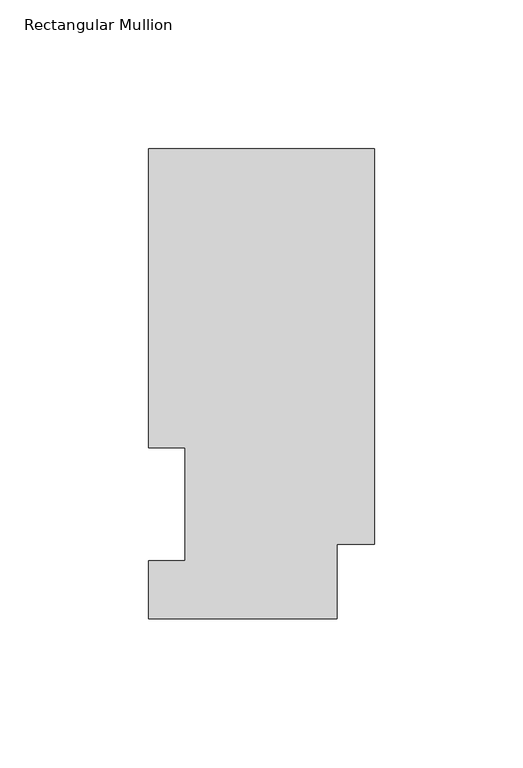
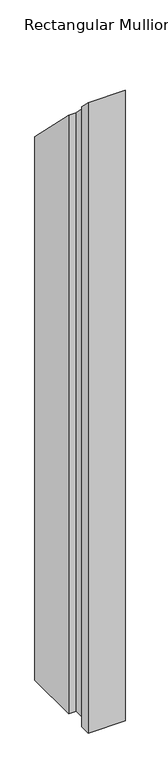
"""IFC4 building model written with IfcOpenShell, lengths in millimetres: member geometry, Rectangular Mullion."""

import ifcopenshell
import ifcopenshell.guid

model = None  # the IFC model being written
_history = None  # IfcOwnerHistory: only IFC2X3 demands one
_inside = {}  # id of a spatial element -> (the spatial element, [elements in it])
_under = {}  # id of a project, library or spatial element -> (it, [spatial elements below it])
_declared = {}  # id of a project -> (the project, [libraries it declares])
_typed = {}  # id of a type object -> (the type object, [elements of that type])
_made_of = {}  # id of a material, layer set ... -> (it, [elements and type objects made of it])


def new_model(schema):
    """Start an empty IFC model of exactly this schema.

    Asked for "IFC4X3", IfcOpenShell would pick the latest addendum, in which some entities
    have other attributes; the version numbers below select the first issue.
    IFC2X3 requires an IfcOwnerHistory on every rooted entity: one is made here for all.
    """
    global model, _history
    if schema == "IFC4X3":
        model = ifcopenshell.file(schema_version=(4, 3, 0, 0))
    else:
        model = ifcopenshell.file(schema=schema)
    _inside.clear()
    _under.clear()
    _declared.clear()
    _typed.clear()
    _made_of.clear()
    _history = None
    if model.schema == "IFC2X3":
        org = make("IfcOrganization", Name="unknown")
        user = make(
            "IfcPersonAndOrganization",
            ThePerson=make("IfcPerson", FamilyName="unknown"),
            TheOrganization=org,
        )
        app = make(
            "IfcApplication",
            ApplicationDeveloper=org,
            Version="unknown",
            ApplicationFullName="unknown",
            ApplicationIdentifier="unknown",
        )
        _history = make(
            "IfcOwnerHistory",
            OwningUser=user,
            OwningApplication=app,
            ChangeAction="ADDED",
            CreationDate=0,
        )
    return model


def make(cls, **values):
    """One entity of the class cls with the attributes given. An attribute that is None is left unset."""
    return model.create_entity(
        cls, **{name: value for name, value in values.items() if value is not None}
    )


def rooted(cls, **values):
    """An entity with a GlobalId (a new one), such as an element, a storey or a relation."""
    return make(cls, GlobalId=ifcopenshell.guid.new(), OwnerHistory=_history, **values)


def si_unit(unit_type, name, prefix=None):
    """IfcSIUnit, for example si_unit("LENGTHUNIT", "METRE", prefix="MILLI")."""
    return make("IfcSIUnit", UnitType=unit_type, Prefix=prefix, Name=name)


def assignment(units):
    """IfcUnitAssignment: the units of a project."""
    return None if units is None else make("IfcUnitAssignment", Units=units)


def point(xyz):
    """IfcCartesianPoint."""
    return None if xyz is None else make("IfcCartesianPoint", Coordinates=xyz)


def direction(xyz):
    """IfcDirection."""
    return None if xyz is None else make("IfcDirection", DirectionRatios=xyz)


def frame(location, z_axis=None, x_axis=None):
    """IfcAxis2Placement3D, a coordinate frame: its origin and axes. An axis left out is left unset."""
    return make(
        "IfcAxis2Placement3D",
        Location=point(location),
        Axis=direction(z_axis),
        RefDirection=direction(x_axis),
    )


def origin():
    """The frame at (0, 0, 0) with its axes left unset."""
    return frame((0.0, 0.0, 0.0))


def place(relative_to, where):
    """IfcLocalPlacement: puts the frame where relative to a parent placement (None: the world)."""
    return make(
        "IfcLocalPlacement", PlacementRelTo=relative_to, RelativePlacement=where
    )


def context(
    kind, dimensions, precision=None, world=None, true_north=None, identifier=None
):
    """IfcGeometricRepresentationContext, for example the 3D "Model" context."""
    return make(
        "IfcGeometricRepresentationContext",
        ContextIdentifier=identifier,
        ContextType=kind,
        CoordinateSpaceDimension=dimensions,
        Precision=precision,
        WorldCoordinateSystem=world,
        TrueNorth=true_north,
    )


def project(units=None, contexts=None):
    """IfcProject with its units and contexts."""
    return rooted(
        "IfcProject",
        Name="project",
        RepresentationContexts=contexts,
        UnitsInContext=assignment(units),
    )


def spatial(cls, under=None, at=None, **own):
    """A site, building, storey or space (cls), placed at a placement, below another one or the project."""
    s = rooted(cls, ObjectPlacement=at, **own)
    if under is not None:
        _under.setdefault(under.id(), (under, []))[1].append(s)
    return s


def faces_of(points, faces, orient=None, outer=None):
    """IfcFace entities. A face is a list of loops; a loop is a list of indices into points, from 0.

    orient and outer hold one flag for each loop. By default every Orientation is true, the
    first loop of a face is its IfcFaceOuterBound and the others are IfcFaceBound.
    """
    made = []
    for i, loops in enumerate(faces):
        bounds = []
        for j, loop in enumerate(loops):
            is_outer = j == 0 if outer is None else outer[i][j]
            bounds.append(
                make(
                    "IfcFaceOuterBound" if is_outer else "IfcFaceBound",
                    Bound=make("IfcPolyLoop", Polygon=[points[k] for k in loop]),
                    Orientation=True if orient is None else orient[i][j],
                )
            )
        made.append(make("IfcFace", Bounds=bounds))
    return made


def faceted_brep(points, faces, orient=None, outer=None, voids=None):
    """IfcFacetedBrep: a solid bounded by flat faces; with voids (closed shells), ...WithVoids."""
    shared = [point(p) for p in points]
    hull = make("IfcClosedShell", CfsFaces=faces_of(shared, faces, orient, outer))
    if voids is None:
        return make("IfcFacetedBrep", Outer=hull)
    return make(
        "IfcFacetedBrepWithVoids",
        Outer=hull,
        Voids=[
            make(cls, CfsFaces=faces_of(shared, fs, o, b)) for cls, fs, o, b in voids
        ],
    )


def shape(context_of_items, identifier, shape_type, items):
    """IfcShapeRepresentation: the items that make up one representation, for example the "Body"."""
    return make(
        "IfcShapeRepresentation",
        ContextOfItems=context_of_items,
        RepresentationIdentifier=identifier,
        RepresentationType=shape_type,
        Items=items,
    )


def source(mapping_origin, context_of_items, identifier, shape_type, items):
    """IfcRepresentationMap: a shape defined once, which mapped items show again and again."""
    return make(
        "IfcRepresentationMap",
        MappingOrigin=mapping_origin,
        MappedRepresentation=shape(context_of_items, identifier, shape_type, items),
    )


def transform(
    local_origin,
    x_axis=None,
    y_axis=None,
    z_axis=None,
    scale=None,
    scale2=None,
    scale3=None,
    uniform=True,
):
    """IfcCartesianTransformationOperator3D, or its non-uniform kind. x_axis, y_axis, z_axis: its Axis1, 2, 3."""
    if uniform:
        return make(
            "IfcCartesianTransformationOperator3D",
            Axis1=direction(x_axis),
            Axis2=direction(y_axis),
            LocalOrigin=point(local_origin),
            Scale=scale,
            Axis3=direction(z_axis),
        )
    return make(
        "IfcCartesianTransformationOperator3DnonUniform",
        Axis1=direction(x_axis),
        Axis2=direction(y_axis),
        LocalOrigin=point(local_origin),
        Scale=scale,
        Axis3=direction(z_axis),
        Scale2=scale2,
        Scale3=scale3,
    )


def mapped(mapping_source, mapping_target):
    """IfcMappedItem: shows the shape of a source again, moved by a transform."""
    return make(
        "IfcMappedItem", MappingSource=mapping_source, MappingTarget=mapping_target
    )


def made_of(thing, what):
    """Note that an element or type object is made of a material, layer set ...; save() writes the relation."""
    if what is not None:
        _made_of.setdefault(what.id(), (what, []))[1].append(thing)
    return thing


def element(
    cls,
    number,
    at=None,
    inside=None,
    cuts=None,
    type_object=None,
    material=None,
    context=None,
    identifier="Body",
    shape_type=None,
    held_by="IfcProductDefinitionShape",
    body=None,
    shapes=None,
    **own,
):
    """One element of the class cls, such as IfcWall. Its Tag is "e" and its number.

    at: its placement. inside: the storey or other place that contains it. cuts: it is an
    opening in that element (IfcRelVoidsElement). A single representation is given by context,
    identifier, shape_type and body (its items); several are given by shapes. held_by: the class
    of the entity that holds the representations. save() writes the other relations.
    """
    e = rooted(cls, Tag="e%d" % number, ObjectPlacement=at, **own)
    if body is not None:
        shapes = [shape(context, identifier, shape_type, body)]
    if shapes is not None:
        e.Representation = make(held_by, Representations=shapes)
    if inside is not None:
        _inside.setdefault(inside.id(), (inside, []))[1].append(e)
    if cuts is not None:
        rooted(
            "IfcRelVoidsElement", RelatingBuildingElement=cuts, RelatedOpeningElement=e
        )
    if type_object is not None:
        _typed.setdefault(type_object.id(), (type_object, []))[1].append(e)
    return made_of(e, material)


def aggregate(whole, parts):
    """IfcRelAggregates: a whole, such as a stair, and the parts it consists of."""
    return rooted("IfcRelAggregates", RelatingObject=whole, RelatedObjects=parts)


def save(model, path):
    """Write the relations noted so far, then the file.

    IfcRelAggregates (storeys below a building ...), IfcRelContainedInSpatialStructure (elements
    in a storey), IfcRelDefinesByType, IfcRelAssociatesMaterial and IfcRelDeclares: one each for
    every whole, place, type object, material and project.
    """
    for whole, parts in _under.values():
        aggregate(whole, parts)
    for where, things in _inside.values():
        rooted(
            "IfcRelContainedInSpatialStructure",
            RelatedElements=things,
            RelatingStructure=where,
        )
    for kind, things in _typed.values():
        rooted("IfcRelDefinesByType", RelatedObjects=things, RelatingType=kind)
    for what, things in _made_of.values():
        rooted("IfcRelAssociatesMaterial", RelatedObjects=things, RelatingMaterial=what)
    for by, libraries in _declared.values():
        rooted("IfcRelDeclares", RelatingContext=by, RelatedDefinitions=libraries)
    model.write(path)


def rectangular_mullion_518d356a(model_context):
    return source(origin(), model_context, "Body", "Brep", [
        faceted_brep([(0.0, 25.0832937, -1143.0134937), (-12.7, 25.0832937, -1143.0134937), (-12.7, 0.0134938, -1143.0134937), (-76.2, 0.0134938, -1143.0134937), (-76.2, 19.5460937, -1143.0134937), (-63.8581605, 19.5460937, -1143.0134937), (-63.8581605, 57.6460937, -1143.0134937), (-76.2, 57.6460937, -1143.0134937), (-76.2, 158.3316937, -1143.0134937), (0.0, 158.3316937, -1143.0134937), (0.0, 158.3316937, -158.3316937), (0.0, 25.0832937, -25.0832937), (-76.2, 158.3316937, -158.3316937), (-76.2, 57.6460937, -57.6460937), (-63.8581605, 57.6460938, -57.6460937), (-63.8581605, 19.5460937, -19.5460937), (-76.2, 19.5460937, -19.5460937), (-76.2, 0.0134938, -0.0134938), (-12.7, 0.0134938, -0.0134938), (-12.7, 25.0832937, -25.0832937)], [[[0, 1, 2, 3, 4, 5, 6, 7, 8, 9]], [[10, 11, 0, 9]], [[12, 10, 9, 8]], [[13, 12, 8, 7]], [[14, 13, 7, 6]], [[15, 14, 6, 5]], [[16, 15, 5, 4]], [[17, 16, 4, 3]], [[18, 17, 3, 2]], [[19, 18, 2, 1]], [[11, 19, 1, 0]], [[11, 10, 12, 13, 14, 15, 16, 17, 18, 19]]]),
    ])


if __name__ == "__main__":
    model = new_model("IFC4")
    model_context = context("Model", 3, world=origin())
    ifc_project = project(units=[si_unit("LENGTHUNIT", "METRE", prefix="MILLI")], contexts=[model_context])
    site = spatial("IfcSite", under=ifc_project)
    building = spatial("IfcBuilding", under=site)
    placement = place(None, origin())
    rectangular_mullion_shape = rectangular_mullion_518d356a(model_context)
    element("IfcMember", 1, ObjectType="Rectangular Mullion", at=placement, inside=building, context=model_context, shape_type="MappedRepresentation", body=[
        mapped(rectangular_mullion_shape, transform((0.0, 0.0, 0.0), x_axis=(1.0, 0.0, 0.0), y_axis=(0.0, 1.0, 0.0), z_axis=(0.0, 0.0, 1.0))),
    ])
    save(model, "model.ifc")
